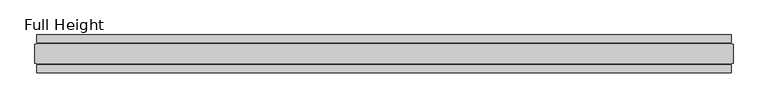
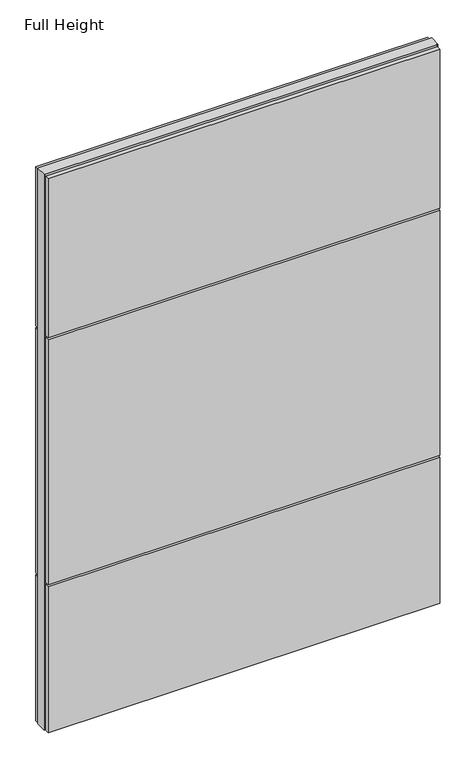
"""IFC4 building model written with IfcOpenShell, lengths in millimetres: plate geometry, Full Height."""

import ifcopenshell
import ifcopenshell.guid

model = None  # the IFC model being written
_history = None  # IfcOwnerHistory: only IFC2X3 demands one
_inside = {}  # id of a spatial element -> (the spatial element, [elements in it])
_under = {}  # id of a project, library or spatial element -> (it, [spatial elements below it])
_declared = {}  # id of a project -> (the project, [libraries it declares])
_typed = {}  # id of a type object -> (the type object, [elements of that type])
_made_of = {}  # id of a material, layer set ... -> (it, [elements and type objects made of it])


def new_model(schema):
    """Start an empty IFC model of exactly this schema.

    Asked for "IFC4X3", IfcOpenShell would pick the latest addendum, in which some entities
    have other attributes; the version numbers below select the first issue.
    IFC2X3 requires an IfcOwnerHistory on every rooted entity: one is made here for all.
    """
    global model, _history
    if schema == "IFC4X3":
        model = ifcopenshell.file(schema_version=(4, 3, 0, 0))
    else:
        model = ifcopenshell.file(schema=schema)
    _inside.clear()
    _under.clear()
    _declared.clear()
    _typed.clear()
    _made_of.clear()
    _history = None
    if model.schema == "IFC2X3":
        org = make("IfcOrganization", Name="unknown")
        user = make(
            "IfcPersonAndOrganization",
            ThePerson=make("IfcPerson", FamilyName="unknown"),
            TheOrganization=org,
        )
        app = make(
            "IfcApplication",
            ApplicationDeveloper=org,
            Version="unknown",
            ApplicationFullName="unknown",
            ApplicationIdentifier="unknown",
        )
        _history = make(
            "IfcOwnerHistory",
            OwningUser=user,
            OwningApplication=app,
            ChangeAction="ADDED",
            CreationDate=0,
        )
    return model


def make(cls, **values):
    """One entity of the class cls with the attributes given. An attribute that is None is left unset."""
    return model.create_entity(
        cls, **{name: value for name, value in values.items() if value is not None}
    )


def rooted(cls, **values):
    """An entity with a GlobalId (a new one), such as an element, a storey or a relation."""
    return make(cls, GlobalId=ifcopenshell.guid.new(), OwnerHistory=_history, **values)


def si_unit(unit_type, name, prefix=None):
    """IfcSIUnit, for example si_unit("LENGTHUNIT", "METRE", prefix="MILLI")."""
    return make("IfcSIUnit", UnitType=unit_type, Prefix=prefix, Name=name)


def assignment(units):
    """IfcUnitAssignment: the units of a project."""
    return None if units is None else make("IfcUnitAssignment", Units=units)


def point(xyz):
    """IfcCartesianPoint."""
    return None if xyz is None else make("IfcCartesianPoint", Coordinates=xyz)


def direction(xyz):
    """IfcDirection."""
    return None if xyz is None else make("IfcDirection", DirectionRatios=xyz)


def frame(location, z_axis=None, x_axis=None):
    """IfcAxis2Placement3D, a coordinate frame: its origin and axes. An axis left out is left unset."""
    return make(
        "IfcAxis2Placement3D",
        Location=point(location),
        Axis=direction(z_axis),
        RefDirection=direction(x_axis),
    )


def origin():
    """The frame at (0, 0, 0) with its axes left unset."""
    return frame((0.0, 0.0, 0.0))


def origin_with_axes():
    """The frame at (0, 0, 0) with the z axis (0, 0, 1) and the x axis (1, 0, 0) written out."""
    return frame((0.0, 0.0, 0.0), z_axis=(0.0, 0.0, 1.0), x_axis=(1.0, 0.0, 0.0))


def place(relative_to, where):
    """IfcLocalPlacement: puts the frame where relative to a parent placement (None: the world)."""
    return make(
        "IfcLocalPlacement", PlacementRelTo=relative_to, RelativePlacement=where
    )


def context(
    kind, dimensions, precision=None, world=None, true_north=None, identifier=None
):
    """IfcGeometricRepresentationContext, for example the 3D "Model" context."""
    return make(
        "IfcGeometricRepresentationContext",
        ContextIdentifier=identifier,
        ContextType=kind,
        CoordinateSpaceDimension=dimensions,
        Precision=precision,
        WorldCoordinateSystem=world,
        TrueNorth=true_north,
    )


def project(units=None, contexts=None):
    """IfcProject with its units and contexts."""
    return rooted(
        "IfcProject",
        Name="project",
        RepresentationContexts=contexts,
        UnitsInContext=assignment(units),
    )


def spatial(cls, under=None, at=None, **own):
    """A site, building, storey or space (cls), placed at a placement, below another one or the project."""
    s = rooted(cls, ObjectPlacement=at, **own)
    if under is not None:
        _under.setdefault(under.id(), (under, []))[1].append(s)
    return s


def polyline(points):
    """IfcPolyline through the points."""
    return make("IfcPolyline", Points=[point(p) for p in points])


def outline(outer, holes=None, kind="AREA"):
    """IfcArbitraryClosedProfileDef: a profile drawn as a closed curve; with holes, ...WithVoids."""
    if holes is None:
        return make("IfcArbitraryClosedProfileDef", ProfileType=kind, OuterCurve=outer)
    return make(
        "IfcArbitraryProfileDefWithVoids",
        ProfileType=kind,
        OuterCurve=outer,
        InnerCurves=holes,
    )


def extrude(swept, where, along, depth):
    """IfcExtrudedAreaSolid: the profile swept, set in the frame where, extruded along a direction by depth."""
    return make(
        "IfcExtrudedAreaSolid",
        SweptArea=swept,
        Position=where,
        ExtrudedDirection=direction(along),
        Depth=depth,
    )


def shape(context_of_items, identifier, shape_type, items):
    """IfcShapeRepresentation: the items that make up one representation, for example the "Body"."""
    return make(
        "IfcShapeRepresentation",
        ContextOfItems=context_of_items,
        RepresentationIdentifier=identifier,
        RepresentationType=shape_type,
        Items=items,
    )


def source(mapping_origin, context_of_items, identifier, shape_type, items):
    """IfcRepresentationMap: a shape defined once, which mapped items show again and again."""
    return make(
        "IfcRepresentationMap",
        MappingOrigin=mapping_origin,
        MappedRepresentation=shape(context_of_items, identifier, shape_type, items),
    )


def transform(
    local_origin,
    x_axis=None,
    y_axis=None,
    z_axis=None,
    scale=None,
    scale2=None,
    scale3=None,
    uniform=True,
):
    """IfcCartesianTransformationOperator3D, or its non-uniform kind. x_axis, y_axis, z_axis: its Axis1, 2, 3."""
    if uniform:
        return make(
            "IfcCartesianTransformationOperator3D",
            Axis1=direction(x_axis),
            Axis2=direction(y_axis),
            LocalOrigin=point(local_origin),
            Scale=scale,
            Axis3=direction(z_axis),
        )
    return make(
        "IfcCartesianTransformationOperator3DnonUniform",
        Axis1=direction(x_axis),
        Axis2=direction(y_axis),
        LocalOrigin=point(local_origin),
        Scale=scale,
        Axis3=direction(z_axis),
        Scale2=scale2,
        Scale3=scale3,
    )


def mapped(mapping_source, mapping_target):
    """IfcMappedItem: shows the shape of a source again, moved by a transform."""
    return make(
        "IfcMappedItem", MappingSource=mapping_source, MappingTarget=mapping_target
    )


def made_of(thing, what):
    """Note that an element or type object is made of a material, layer set ...; save() writes the relation."""
    if what is not None:
        _made_of.setdefault(what.id(), (what, []))[1].append(thing)
    return thing


def element(
    cls,
    number,
    at=None,
    inside=None,
    cuts=None,
    type_object=None,
    material=None,
    context=None,
    identifier="Body",
    shape_type=None,
    held_by="IfcProductDefinitionShape",
    body=None,
    shapes=None,
    **own,
):
    """One element of the class cls, such as IfcWall. Its Tag is "e" and its number.

    at: its placement. inside: the storey or other place that contains it. cuts: it is an
    opening in that element (IfcRelVoidsElement). A single representation is given by context,
    identifier, shape_type and body (its items); several are given by shapes. held_by: the class
    of the entity that holds the representations. save() writes the other relations.
    """
    e = rooted(cls, Tag="e%d" % number, ObjectPlacement=at, **own)
    if body is not None:
        shapes = [shape(context, identifier, shape_type, body)]
    if shapes is not None:
        e.Representation = make(held_by, Representations=shapes)
    if inside is not None:
        _inside.setdefault(inside.id(), (inside, []))[1].append(e)
    if cuts is not None:
        rooted(
            "IfcRelVoidsElement", RelatingBuildingElement=cuts, RelatedOpeningElement=e
        )
    if type_object is not None:
        _typed.setdefault(type_object.id(), (type_object, []))[1].append(e)
    return made_of(e, material)


def aggregate(whole, parts):
    """IfcRelAggregates: a whole, such as a stair, and the parts it consists of."""
    return rooted("IfcRelAggregates", RelatingObject=whole, RelatedObjects=parts)


def save(model, path):
    """Write the relations noted so far, then the file.

    IfcRelAggregates (storeys below a building ...), IfcRelContainedInSpatialStructure (elements
    in a storey), IfcRelDefinesByType, IfcRelAssociatesMaterial and IfcRelDeclares: one each for
    every whole, place, type object, material and project.
    """
    for whole, parts in _under.values():
        aggregate(whole, parts)
    for where, things in _inside.values():
        rooted(
            "IfcRelContainedInSpatialStructure",
            RelatedElements=things,
            RelatingStructure=where,
        )
    for kind, things in _typed.values():
        rooted("IfcRelDefinesByType", RelatedObjects=things, RelatingType=kind)
    for what, things in _made_of.values():
        rooted("IfcRelAssociatesMaterial", RelatedObjects=things, RelatingMaterial=what)
    for by, libraries in _declared.values():
        rooted("IfcRelDeclares", RelatingContext=by, RelatedDefinitions=libraries)
    model.write(path)


def full_height_a60b3eb5(model_context):
    return source(origin(), model_context, "Body", "SweptSolid", [
        extrude(outline(polyline([(914.4756244, 28.956), (-914.4756244, 28.956), (-914.4756244, 49.53), (914.4756244, 49.53), (914.4756244, 28.956)])), frame((0.0, 0.0, 1949.196), z_axis=(0.0, 0.0, 1.0), x_axis=(1.0, 0.0, 0.0)), (0.0, 0.0, 1.0), 784.86),
        extrude(outline(polyline([(914.4756244, 28.956), (-914.4756244, 28.956), (-914.4756244, 49.53), (914.4756244, 49.53), (914.4756244, 28.956)])), frame((0.0, 0.0, 729.996), z_axis=(0.0, 0.0, 1.0), x_axis=(1.0, 0.0, 0.0)), (0.0, 0.0, 1.0), 1210.056),
        extrude(outline(polyline([(914.4756244, 28.956), (-914.4756244, 28.956), (-914.4756244, 49.53), (914.4756244, 49.53), (914.4756244, 28.956)])), origin_with_axes(), (0.0, 0.0, 1.0), 720.852),
        extrude(outline(polyline([(914.4756244, -28.956), (914.4756244, -49.53), (-914.4756244, -49.53), (-914.4756244, -28.956), (914.4756244, -28.956)])), frame((0.0, 0.0, 1949.196), z_axis=(0.0, 0.0, 1.0), x_axis=(1.0, 0.0, 0.0)), (0.0, 0.0, 1.0), 784.86),
        extrude(outline(polyline([(914.4756244, -28.956), (914.4756244, -49.53), (-914.4756244, -49.53), (-914.4756244, -28.956), (914.4756244, -28.956)])), frame((0.0, 0.0, 729.996), z_axis=(0.0, 0.0, 1.0), x_axis=(1.0, 0.0, 0.0)), (0.0, 0.0, 1.0), 1210.056),
        extrude(outline(polyline([(914.4756244, -28.956), (914.4756244, -49.53), (-914.4756244, -49.53), (-914.4756244, -28.956), (914.4756244, -28.956)])), origin_with_axes(), (0.0, 0.0, 1.0), 720.852),
        extrude(outline(polyline([(914.4756244, -25.146), (914.4756244, -26.67), (-914.4756244, -26.67), (-914.4756244, -25.146), (-919.0476244, -25.146), (-919.0476244, 25.146), (-914.4756244, 25.146), (-914.4756244, 26.67), (914.4756244, 26.67), (914.4756244, 25.146), (919.0476244, 25.146), (919.0476244, -25.146), (914.4756244, -25.146)])), origin_with_axes(), (0.0, 0.0, 1.0), 2743.2),
    ])


if __name__ == "__main__":
    model = new_model("IFC4")
    model_context = context("Model", 3, world=origin())
    ifc_project = project(units=[si_unit("LENGTHUNIT", "METRE", prefix="MILLI")], contexts=[model_context])
    site = spatial("IfcSite", under=ifc_project)
    building = spatial("IfcBuilding", under=site)
    placement = place(None, origin())
    full_height_shape = full_height_a60b3eb5(model_context)
    element("IfcPlate", 1, ObjectType="Full Height", at=placement, inside=building, context=model_context, shape_type="MappedRepresentation", body=[
        mapped(full_height_shape, transform((0.0, 0.0, 0.0), x_axis=(1.0, 0.0, 0.0), y_axis=(0.0, 1.0, 0.0), z_axis=(0.0, 0.0, 1.0))),
    ])
    save(model, "model.ifc")
